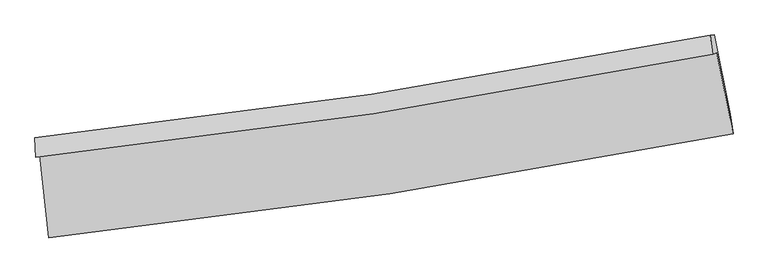
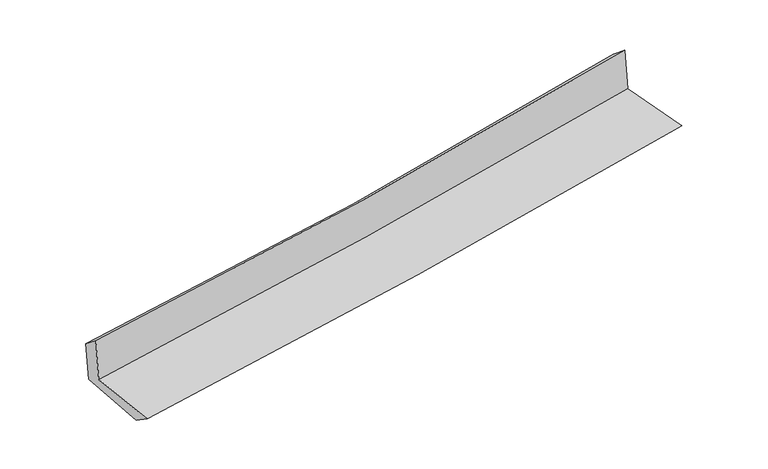
"""IFC4 building model written with IfcOpenShell, lengths in millimetres: proxy geometry."""

from ifc_helpers import new_model, si_unit, frame, origin, place, context, project, spatial, source, transform, mapped, element, save
from ifc_brep_helpers import plane_surface, spline_curve, spline_surface, advanced_brep


def generic_models_dd1b6e60(model_context):
    return source(origin(), model_context, "Body", "AdvancedBrep", [
        advanced_brep(
        [(-2715.0435971, -1891.8382774, 1650.8692135), (-2643.8177429, -2547.8027477, 1638.2897178), (2803.5887301, -1722.1184782, 2111.1444656), (2673.1578451, -1075.0978215, 2128.9132792), (-2748.8284195, -1906.7651011, 2050.9867281), (2639.691235, -1089.8840524, 2525.262168), (-2754.644767, -1752.8071978, 1930.6627332), (2620.8936779, -938.6526846, 2402.1755136), (-2723.3115156, -1748.6938653, 1571.3412994), (2653.9381231, -934.2965987, 2033.0238325), (-2651.2272328, -2388.4778346, 1529.4951127), (2782.9482576, -1565.4351866, 1996.3051855)],
        [
            (0, 1),
            (1, 2, spline_curve(3, [(-2643.8177429, -2547.8027477, 1638.2897178), (-1736.502385652, -2452.059647973, 1730.112788412), (-831.447491228, -2335.886189511, 1815.244175578), (984.406362563, -2061.125337438, 1973.015462238), (1895.153626013, -1902.070705952, 2045.502324131), (2803.5887301, -1722.1184782, 2111.1444656)], [4, 2, 4], [0.0, 8.974676981796815, 18.05139821249255])),
            (2, 3),
            (3, 0, spline_curve(3, [(2673.1578451, -1075.0978215, 2128.9132792), (1775.479447161, -1252.962101114, 2058.985955009), (875.069824343, -1410.224892061, 1983.931267544), (-921.058388722, -1682.011093935, 1824.468605787), (-1816.715913362, -1796.995121485, 1740.175271334), (-2715.0435971, -1891.8382774, 1650.8692135)], [4, 2, 4], [0.0, 9.076721230695735, 18.05139821249255])),
            (4, 0),
            (3, 5),
            (5, 4, spline_curve(3, [(2639.691235, -1089.8840524, 2525.262168), (1742.692910616, -1267.447861617, 2447.280655143), (842.594584164, -1424.57311572, 2368.539251246), (-953.647945314, -1696.40982456, 2210.430447747), (-1849.722836626, -1811.578253419, 2131.080038398), (-2748.8284195, -1906.7651011, 2050.9867281)], [4, 2, 4], [0.0, 9.027695171543467, 17.953897265393508])),
            (6, 4),
            (5, 7),
            (7, 6, spline_curve(3, [(2620.8936779, -938.6526846, 2402.1755136), (1726.789049435, -1115.658538589, 2317.922103602), (829.223424263, -1272.276604432, 2236.295310269), (-962.700106639, -1543.205603318, 2079.183110739), (-1856.980629732, -1657.972374893, 2003.638976874), (-2754.644767, -1752.8071978, 1930.6627332)], [4, 2, 4], [0.0, 9.016562117281127, 17.931756319262966])),
            (8, 6),
            (7, 9),
            (9, 8, spline_curve(3, [(2653.9381231, -934.2965987, 2033.0238325), (1759.268268381, -1111.386369332, 1953.440924275), (861.277411567, -1268.066615178, 1874.964656341), (-931.213387187, -1539.076045694, 1721.095221373), (-1825.639076353, -1653.861555249, 1645.677311712), (-2723.3115156, -1748.6938653, 1571.3412994)], [4, 2, 4], [0.0, 9.006226180809117, 17.911200647185662])),
            (10, 8),
            (9, 11),
            (11, 10, spline_curve(3, [(2782.9482576, -1565.4351866, 1996.3051855), (1878.22614415, -1744.49926626, 1915.799805782), (970.439964499, -1902.889703091, 1836.432769658), (-841.020373634, -2176.77502243, 1680.854863614), (-1744.626023804, -2292.732134826, 1604.618542079), (-2651.2272328, -2388.4778346, 1529.4951127)], [4, 2, 4], [0.0, 9.054638190067731, 18.00748039789991])),
            (1, 10),
            (11, 2),
        ],
        [
            spline_surface(3, 3, [[(-2715.0435971, -1891.8382774, 1650.8692135), (-1816.715913419, -1796.995121452, 1740.175271396), (-921.058388842, -1682.011093805, 1824.46860581), (875.069824465, -1410.224892193, 1983.931267521), (1775.479447305, -1252.962101225, 2058.985955013), (2673.1578451, -1075.0978215, 2128.9132792)], [(-2691.301645685, -2110.493100833, 1646.676048276), (-1789.978070821, -2015.349963632, 1736.821110389), (-891.188089662, -1899.969459104, 1821.393795753), (911.515337183, -1627.19170726, 1980.292665727), (1815.370840197, -1469.331636108, 2054.491411392), (2716.634806785, -1290.771373738, 2122.990341346)], [(-2667.559694315, -2329.147924267, 1642.482883024), (-1763.240228269, -2233.704805814, 1733.466949353), (-861.317790473, -2117.927824328, 1818.318985715), (947.960849909, -1844.158522252, 1976.654063951), (1855.262233034, -1685.701170976, 2049.996867734), (2760.111768415, -1506.444925962, 2117.067403454)], [(-2643.8177429, -2547.8027477, 1638.2897178), (-1736.502385672, -2452.059647994, 1730.112788347), (-831.447491292, -2335.886189628, 1815.244175658), (984.406362628, -2061.125337319, 1973.015462157), (1895.153625926, -1902.070705859, 2045.502324113), (2803.5887301, -1722.1184782, 2111.1444656)]], [4, 4], [4, 2, 4], [0.0, 2.165370870671386], [0.0, 8.974676981796815, 18.05139821249255]),
            spline_surface(3, 3, [[(-2748.8284195, -1906.7651011, 2050.9867281), (-1849.722836755, -1811.578253478, 2131.080038437), (-953.647945271, -1696.409824535, 2210.430447868), (842.59458412, -1424.573115746, 2368.539251124), (1742.692910753, -1267.447861759, 2447.280655024), (2639.691235, -1089.8840524, 2525.262168)], [(-2737.566812029, -1901.789493206, 1917.614223213), (-1838.720528972, -1806.717209475, 2000.778449403), (-942.78475982, -1691.610247616, 2081.77650052), (853.41966421, -1419.790374553, 2240.336589928), (1753.621756241, -1262.619274896, 2317.849088346), (2650.846771671, -1084.955308749, 2393.145871726)], [(-2726.305204571, -1896.813885294, 1784.241718387), (-1827.718221202, -1801.856165456, 1870.47686043), (-931.921574293, -1686.810670724, 1953.122553158), (864.244744375, -1415.007633386, 2112.133928717), (1764.550601817, -1257.790688088, 2188.417521691), (2662.002308429, -1080.026565151, 2261.029575474)], [(-2715.0435971, -1891.8382774, 1650.8692135), (-1816.715913419, -1796.995121452, 1740.175271396), (-921.058388842, -1682.011093805, 1824.46860581), (875.069824465, -1410.224892193, 1983.931267521), (1775.479447305, -1252.962101225, 2058.985955013), (2673.1578451, -1075.0978215, 2128.9132792)]], [4, 4], [4, 2, 4], [0.0, 1.2694086046092221], [0.0, 8.92620209385004, 17.953897265393508]),
            spline_surface(3, 3, [[(-2754.644767, -1752.8071978, 1930.6627332), (-1856.980629595, -1657.972375017, 2003.638976974), (-962.700106572, -1543.205603226, 2079.18311062), (829.223424196, -1272.276604525, 2236.295310389), (1726.789049476, -1115.658538551, 2317.922103521), (2620.8936779, -938.6526846, 2402.1755136)], [(-2752.705984502, -1804.126498904, 1970.770731508), (-1854.561365318, -1709.174334509, 2046.119330803), (-959.682719455, -1594.273677009, 2122.932223018), (833.680477521, -1323.042108279, 2280.376623949), (1732.090336593, -1166.254979623, 2361.04162067), (2627.159530291, -989.063140536, 2443.204398382)], [(-2750.767201998, -1855.445799996, 2010.878729792), (-1852.142101033, -1760.376293987, 2088.599684608), (-956.665332388, -1645.341750752, 2166.68133547), (838.137530795, -1373.807611993, 2324.457937563), (1737.391623636, -1216.851420687, 2404.161137875), (2633.425382609, -1039.473596464, 2484.233283218)], [(-2748.8284195, -1906.7651011, 2050.9867281), (-1849.722836755, -1811.578253478, 2131.080038437), (-953.647945271, -1696.409824535, 2210.430447868), (842.59458412, -1424.573115746, 2368.539251124), (1742.692910753, -1267.447861759, 2447.280655024), (2639.691235, -1089.8840524, 2525.262168)]], [4, 4], [4, 2, 4], [0.0, 0.6628244130704135], [0.0, 8.915194201981839, 17.931756319262966]),
            spline_surface(3, 3, [[(-2723.3115156, -1748.6938653, 1571.3412994), (-1825.639076378, -1653.861555327, 1645.677311749), (-931.213387134, -1539.076045692, 1721.095221381), (861.277411513, -1268.06661518, 1874.964656333), (1759.268268503, -1111.386369269, 1953.440924424), (2653.9381231, -934.2965987, 2033.0238325)], [(-2733.75593273, -1750.064976119, 1691.115110658), (-1836.08626078, -1655.231828543, 1764.997866815), (-941.708960266, -1540.452564867, 1840.457851145), (850.592749088, -1269.469944959, 1995.408207702), (1748.441862163, -1112.810425693, 2074.934650803), (2642.923308035, -935.748627329, 2156.07439288)], [(-2744.20034987, -1751.436086981, 1810.888921942), (-1846.533445193, -1656.602101801, 1884.318421908), (-952.20453344, -1541.82908405, 1959.820480857), (839.908086621, -1270.873274746, 2115.85175902), (1737.615455817, -1114.234482128, 2196.428377142), (2631.908492965, -937.200655971, 2279.12495322)], [(-2754.644767, -1752.8071978, 1930.6627332), (-1856.980629595, -1657.972375017, 2003.638976974), (-962.700106572, -1543.205603226, 2079.18311062), (829.223424196, -1272.276604525, 2236.295310389), (1726.789049476, -1115.658538551, 2317.922103521), (2620.8936779, -938.6526846, 2402.1755136)]], [4, 4], [4, 2, 4], [0.0, 1.1848829603463216], [0.0, 8.904974466376546, 17.911200647185662]),
            spline_surface(3, 3, [[(-2651.2272328, -2388.4778346, 1529.4951127), (-1744.626023766, -2292.73213469, 1604.618542175), (-841.020373501, -2176.775022284, 1680.854863619), (970.439964365, -1902.889703238, 1836.432769653), (1878.226144224, -1744.499266301, 1915.799805783), (2782.9482576, -1565.4351866, 1996.3051855)], [(-2675.255327068, -2175.216511492, 1543.443841614), (-1771.630374638, -2079.775274894, 1618.304798714), (-871.084711403, -1964.208696744, 1694.26831621), (934.052446723, -1691.282007209, 1849.276731883), (1838.573518977, -1533.461633951, 1928.346845319), (2739.944879427, -1355.055657294, 2008.544734489)], [(-2699.283421332, -1961.955188408, 1557.392570486), (-1798.634725506, -1866.818415123, 1631.99105521), (-901.149049232, -1751.642371232, 1707.681768791), (897.664929155, -1479.674311209, 1862.120694103), (1798.92089375, -1322.424001619, 1940.893884888), (2696.941501273, -1144.676128006, 2020.784283511)], [(-2723.3115156, -1748.6938653, 1571.3412994), (-1825.639076378, -1653.861555327, 1645.677311749), (-931.213387134, -1539.076045692, 1721.095221381), (861.277411513, -1268.06661518, 1874.964656333), (1759.268268503, -1111.386369269, 1953.440924424), (2653.9381231, -934.2965987, 2033.0238325)]], [4, 4], [4, 2, 4], [0.0, 2.1168790100062673], [0.0, 8.95284220783218, 18.00748039789991]),
            spline_surface(3, 3, [[(-2643.8177429, -2547.8027477, 1638.2897178), (-1736.502385672, -2452.059647994, 1730.112788347), (-831.447491292, -2335.886189628, 1815.244175658), (984.406362628, -2061.125337319, 1973.015462157), (1895.153625926, -1902.070705859, 2045.502324113), (2803.5887301, -1722.1184782, 2111.1444656)], [(-2646.287572886, -2494.694443347, 1602.024849431), (-1739.210265056, -2398.950476906, 1688.281372954), (-834.638452007, -2282.84913383, 1770.44773831), (979.750896562, -2008.380125941, 1927.487897987), (1889.511132016, -1849.546892693, 2002.268151347), (2796.708572591, -1669.890714354, 2072.864705578)], [(-2648.757402814, -2441.586138953, 1565.759981069), (-1741.918144382, -2345.841305778, 1646.449957568), (-837.829412786, -2229.812078083, 1725.651300967), (975.095430431, -1955.634914615, 1881.960333823), (1883.868638134, -1797.023079466, 1959.033978548), (2789.828415109, -1617.662950446, 2034.584945522)], [(-2651.2272328, -2388.4778346, 1529.4951127), (-1744.626023766, -2292.73213469, 1604.618542175), (-841.020373501, -2176.775022284, 1680.854863619), (970.439964365, -1902.889703238, 1836.432769653), (1878.226144224, -1744.499266301, 1915.799805783), (2782.9482576, -1565.4351866, 1996.3051855)]], [4, 4], [4, 2, 4], [0.0, 0.6856436847166163], [0.0, 9.011426037633626, 18.125314169823262]),
            plane_surface(frame((2695.7029781, -1220.914137, 2199.4707407), z_axis=(0.9768003419694412, 0.19444587185961917, 0.08973235116241757), x_axis=(-0.08915189613874146, -0.011752453835071194, 0.9959487031186504))),
            plane_surface(frame((-2706.1455458, -2039.397504, 1728.6074675), z_axis=(-0.9905148853336766, -0.1058723205865903, -0.08758603579352187), x_axis=(-0.10792777894817117, 0.993975981025098, 0.019061575918816392))),
        ],
        [
            (0, [[1, 2, 3, 4]]),
            (1, [[5, -4, 6, 7]]),
            (2, [[8, -7, 9, 10]]),
            (3, [[11, -10, 12, 13]]),
            (4, [[14, -13, 15, 16]]),
            (5, [[17, -16, 18, -2]]),
            (6, [[-12, -9, -6, -3, -18, -15]]),
            (7, [[-1, -5, -8, -11, -14, -17]]),
        ],
    ),
    ])


if __name__ == "__main__":
    model = new_model("IFC4")
    model_context = context("Model", 3, world=origin())
    ifc_project = project(units=[si_unit("LENGTHUNIT", "METRE", prefix="MILLI")], contexts=[model_context])
    site = spatial("IfcSite", under=ifc_project)
    building = spatial("IfcBuilding", under=site)
    placement = place(None, origin())
    generic_models_shape = generic_models_dd1b6e60(model_context)
    element("IfcBuildingElementProxy", 1, Name="Generic Models", at=placement, inside=building, context=model_context, shape_type="MappedRepresentation", body=[
        mapped(generic_models_shape, transform((0.0, 0.0, 0.0), x_axis=(1.0, 0.0, 0.0), y_axis=(0.0, 1.0, 0.0), z_axis=(0.0, 0.0, 1.0))),
    ])
    save(model, "model.ifc")
